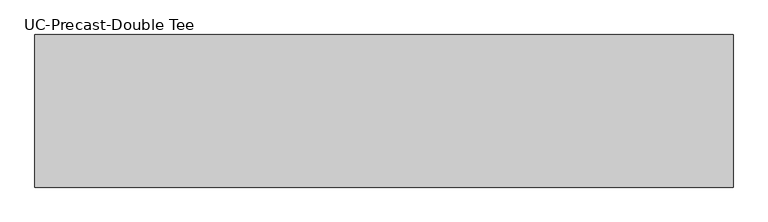
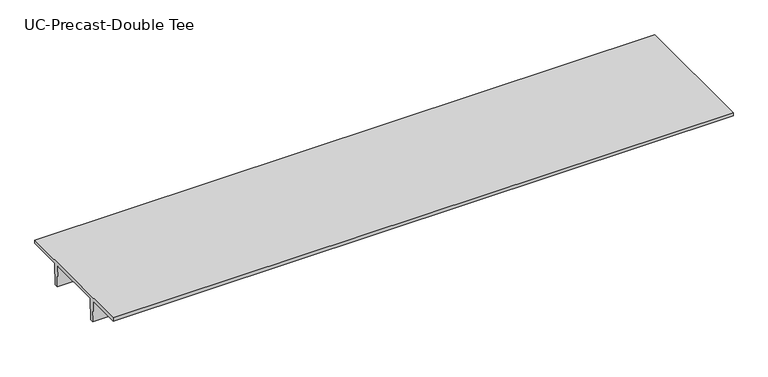
"""IFC4 building model written with IfcOpenShell, lengths in millimetres: beam geometry, UC-Precast-Double Tee."""

from ifc_helpers import new_model, si_unit, frame, origin, place, context, project, spatial, polyline, outline, extrude, source, transform, mapped, element, save


def uc_precast_double_tee_0b523d82(model_context):
    return source(origin(), model_context, "Body", "SweptSolid", [
        extrude(outline(polyline([(2032.0, 381.0), (2032.0, 279.4), (990.6, 279.4), (965.2, -381.0), (863.6, -381.0), (838.2, 279.4), (-838.2, 279.4), (-863.6, -381.0), (-965.2, -381.0), (-990.6, 279.4), (-2032.0, 279.4), (-2032.0, 381.0), (2032.0, 381.0)])), frame((-9474.1999994, 0.0, 0.0), z_axis=(1.0, 0.0, 0.0), x_axis=(0.0, 1.0, 0.0)), (0.0, 0.0, 1.0), 18592.7999994),
    ])


if __name__ == "__main__":
    model = new_model("IFC4")
    model_context = context("Model", 3, world=origin())
    ifc_project = project(units=[si_unit("LENGTHUNIT", "METRE", prefix="MILLI")], contexts=[model_context])
    site = spatial("IfcSite", under=ifc_project)
    building = spatial("IfcBuilding", under=site)
    placement = place(None, origin())
    uc_precast_double_tee_shape = uc_precast_double_tee_0b523d82(model_context)
    element("IfcBeam", 1, ObjectType="UC-Precast-Double Tee", at=placement, inside=building, context=model_context, shape_type="MappedRepresentation", body=[
        mapped(uc_precast_double_tee_shape, transform((0.0, 0.0, 0.0), x_axis=(1.0, 0.0, 0.0), y_axis=(0.0, 1.0, 0.0), z_axis=(0.0, 0.0, 1.0))),
    ])
    save(model, "model.ifc")
